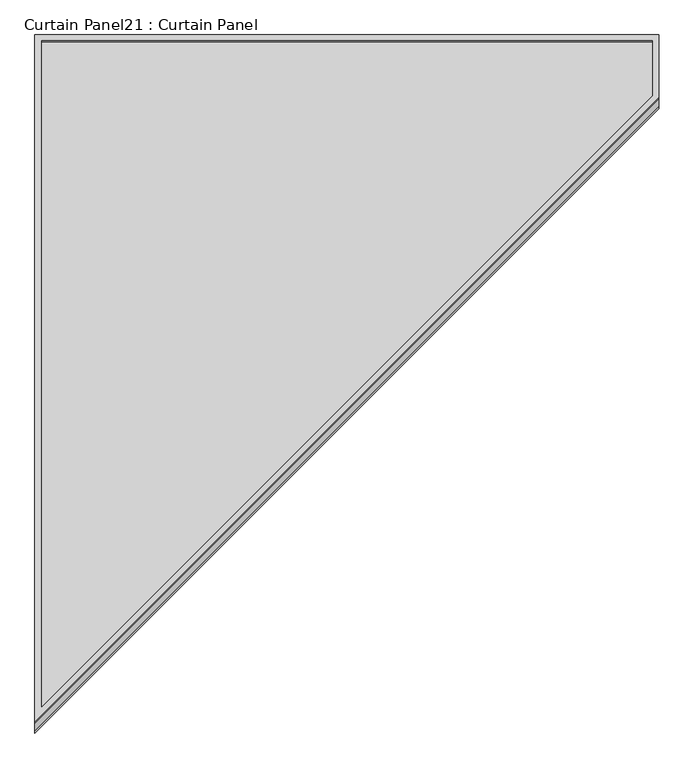
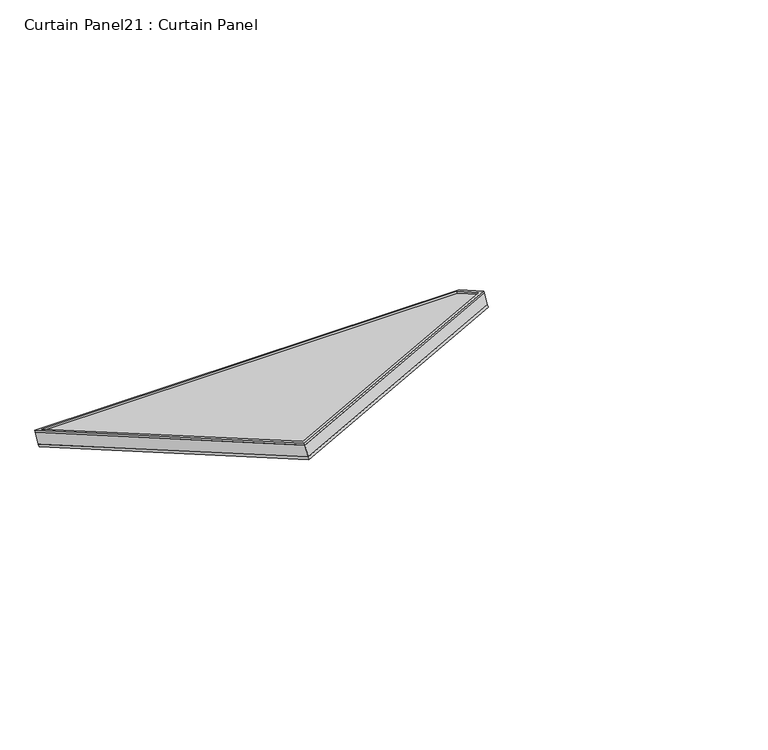
"""IFC4 building model written with IfcOpenShell, lengths in millimetres: plate geometry, Curtain Panel21 : Curtain Panel."""

from ifc_helpers import new_model, si_unit, frame, origin, place, context, project, spatial, polyline, outline, extrude, source, transform, mapped, element, save


def curtain_panel21_curtain_panel_15d93927(model_context):
    return source(origin(), model_context, "Body", "SweptSolid", [
        extrude(outline(polyline([(1504.1168398, -12.7), (-12.7, -12.7), (-12.7, 1181.1), (125.635337, 1181.1), (1504.1168398, -12.7)]), holes=[polyline([(120.9004635, 1168.4), (0.0, 1168.4), (0.0, 0.0), (1470.0525725, 0.0), (120.9004635, 1168.4)])]), frame((-7089.7692107, 11086.1906384, 606.4934586), z_axis=(0.0, 0.4999999999999999, 0.8660254037844387), x_axis=(0.0, -0.8660254037844387, 0.4999999999999999)), (0.0, 0.0, 1.0), 4.7753694),
        extrude(outline(polyline([(1504.1168397, -12.7), (-12.7000001, -12.7), (-12.7000001, 1181.1), (125.635337, 1181.1), (1504.1168397, -12.7)]), holes=[polyline([(120.9004634, 1168.4), (0.0, 1168.4), (0.0, 0.0), (1470.0525724, 0.0), (120.9004634, 1168.4)])]), frame((-7089.7692107, 11067.750323, 574.5538956), z_axis=(0.0, 0.4999999999999995, 0.8660254037844389), x_axis=(0.0, -0.8660254037844389, 0.4999999999999995)), (0.0, 0.0, 1.0), 6.7181306),
        extrude(outline(polyline([(12.7, 0.0), (1206.5, 0.0), (1206.5, -138.335337), (12.7, -1516.8168397), (12.7, 0.0)])), frame((-7115.1692107, 11082.107911, 574.0219674), z_axis=(0.0, 0.49999999999999867, 0.8660254037844395), x_axis=(1.0, 0.0, 0.0)), (0.0, 0.0, 1.0), 30.1625),
    ])


if __name__ == "__main__":
    model = new_model("IFC4")
    model_context = context("Model", 3, world=origin())
    ifc_project = project(units=[si_unit("LENGTHUNIT", "METRE", prefix="MILLI")], contexts=[model_context])
    site = spatial("IfcSite", under=ifc_project)
    building = spatial("IfcBuilding", under=site)
    placement = place(None, origin())
    curtain_panel21_curtain_panel_shape = curtain_panel21_curtain_panel_15d93927(model_context)
    element("IfcPlate", 1, ObjectType="Curtain Panel21 : Curtain Panel", at=placement, inside=building, context=model_context, shape_type="MappedRepresentation", body=[
        mapped(curtain_panel21_curtain_panel_shape, transform((0.0, 0.0, 0.0), x_axis=(1.0, 0.0, 0.0), y_axis=(0.0, 1.0, 0.0), z_axis=(0.0, 0.0, 1.0))),
    ])
    save(model, "model.ifc")
